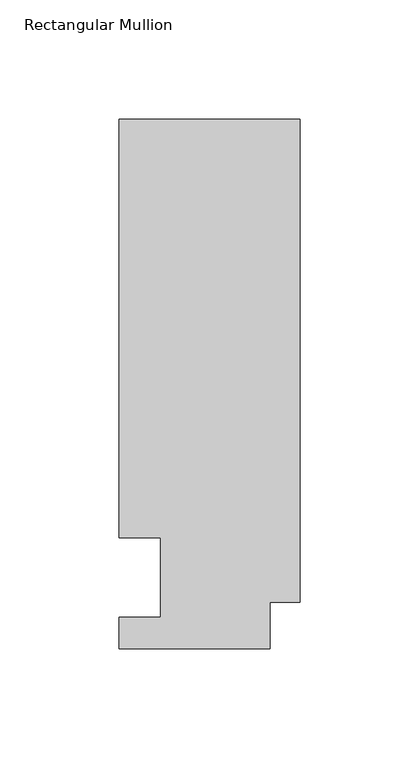
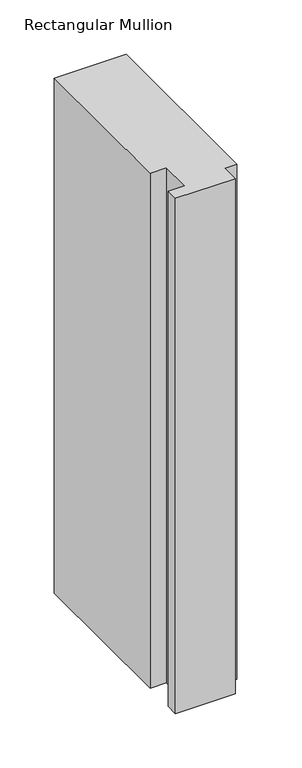
"""IFC4 building model written with IfcOpenShell, lengths in millimetres: member geometry, Rectangular Mullion."""

from ifc_helpers import new_model, si_unit, frame, origin, place, context, project, spatial, polyline, outline, extrude, source, transform, mapped, element, save


def rectangular_mullion_3c4f1d54(model_context):
    return source(origin(), model_context, "Body", "SweptSolid", [
        extrude(outline(polyline([(0.0, 222.5381313), (0.0, 19.5667313), (-12.7, 19.5667313), (-12.7, 0.041758), (-76.2, 0.041758), (-76.2, 13.224358), (-58.7676635, 13.224358), (-58.7676635, 46.7447302), (-76.2000001, 46.7447302), (-76.2000001, 222.5381313), (0.0, 222.5381313)])), frame((0.0, 0.0, -577.85), z_axis=(0.0, 0.0, 1.0), x_axis=(1.0, 0.0, 0.0)), (0.0, 0.0, 1.0), 577.85),
    ])


if __name__ == "__main__":
    model = new_model("IFC4")
    model_context = context("Model", 3, world=origin())
    ifc_project = project(units=[si_unit("LENGTHUNIT", "METRE", prefix="MILLI")], contexts=[model_context])
    site = spatial("IfcSite", under=ifc_project)
    building = spatial("IfcBuilding", under=site)
    placement = place(None, origin())
    rectangular_mullion_shape = rectangular_mullion_3c4f1d54(model_context)
    element("IfcMember", 1, ObjectType="Rectangular Mullion", at=placement, inside=building, context=model_context, shape_type="MappedRepresentation", body=[
        mapped(rectangular_mullion_shape, transform((0.0, 0.0, 0.0), x_axis=(1.0, 0.0, 0.0), y_axis=(0.0, 1.0, 0.0), z_axis=(0.0, 0.0, 1.0))),
    ])
    save(model, "model.ifc")
